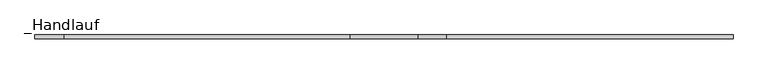
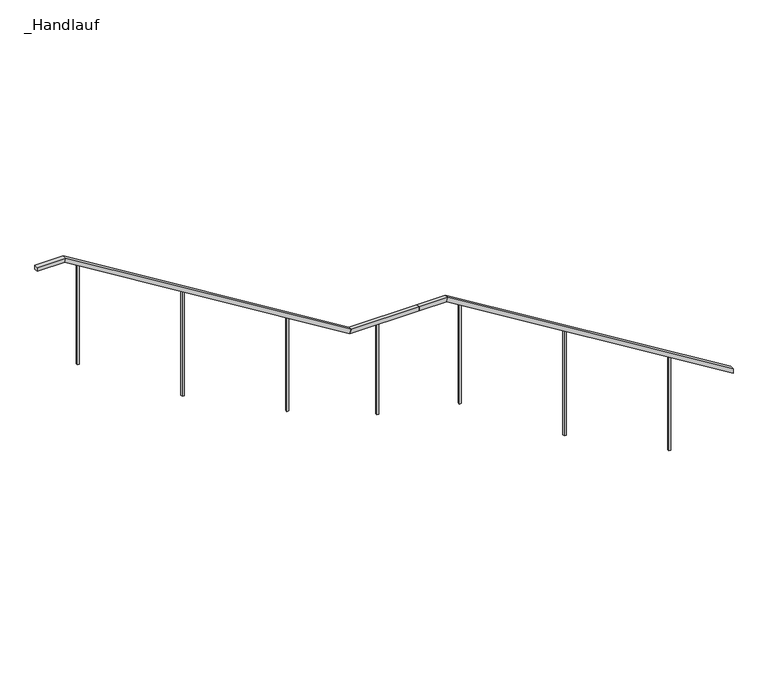
"""IFC4 building model written with IfcOpenShell, lengths in millimetres: railing geometry, _Handlauf."""

from ifc_helpers import new_model, si_unit, frame, origin, place, context, project, spatial, polyline, outline, extrude, faceted_brep, source, transform, mapped, element, save


def handlauf_9faf0ab0(model_context):
    return source(origin(), model_context, "Body", "SolidModel", [
        faceted_brep([(8940.0, 3112.4, 4500.0), (8940.0, 3112.4, 4453.0610765), (8940.0, 3152.4, 4453.0610765), (8940.0, 3152.4, 4500.0), (6090.0, 3112.4, 6250.0), (6078.6994674, 3112.4, 6210.0), (6078.6994674, 3152.4, 6210.0), (6090.0, 3152.4, 6250.0), (5805.0, 3112.4, 6250.0), (5805.0, 3152.4, 6250.0), (5805.0, 3152.4, 6210.0), (5805.0, 3112.4, 6210.0)], [[[0, 1, 2, 3]], [[1, 0, 4, 5]], [[2, 1, 5, 6]], [[3, 2, 6, 7]], [[0, 3, 7, 4]], [[8, 9, 10, 11]], [[5, 4, 8, 11]], [[6, 5, 11, 10]], [[7, 6, 10, 9]], [[4, 7, 9, 8]]]),
        faceted_brep([(5805.0, 3112.4, 6250.0), (5805.0, 3112.4, 6210.0), (5805.0, 3152.4, 6210.0), (5805.0, 3152.4, 6250.0), (5124.7699955, 3112.4, 6250.0), (5124.7699955, 3152.4, 6250.0), (5113.4694629, 3152.4, 6210.0), (5113.4694629, 3112.4, 6210.0)], [[[0, 1, 2, 3]], [[4, 5, 6, 7]], [[1, 0, 4, 7]], [[2, 1, 7, 6]], [[3, 2, 6, 5]], [[0, 3, 5, 4]]]),
        faceted_brep([(5124.7699955, 3112.4, 6250.0), (5113.4694629, 3112.4, 6210.0), (5113.4694629, 3152.4, 6210.0), (5124.7699955, 3152.4, 6250.0), (2274.7699955, 3112.4, 8000.0), (2263.4694629, 3112.4, 7960.0), (2263.4694629, 3152.4, 7960.0), (2274.7699955, 3152.4, 8000.0), (1989.7699955, 3112.4, 8000.0), (1989.7699955, 3152.4, 8000.0), (1989.7699955, 3152.4, 7960.0), (1989.7699955, 3112.4, 7960.0)], [[[0, 1, 2, 3]], [[1, 0, 4, 5]], [[2, 1, 5, 6]], [[3, 2, 6, 7]], [[0, 3, 7, 4]], [[8, 9, 10, 11]], [[5, 4, 8, 11]], [[6, 5, 11, 10]], [[7, 6, 10, 9]], [[4, 7, 9, 8]]]),
        extrude(outline(polyline([(7872.1929825, 2417.7699955), (7884.4736842, 2397.7699955), (6825.0, 2397.7699955), (6825.0, 2417.7699955), (7872.1929825, 2417.7699955)])), frame((0.0, 3122.4, 0.0), z_axis=(0.0, 1.0, 0.0), x_axis=(0.0, 0.0, 1.0)), (0.0, 0.0, 1.0), 20.0),
        extrude(outline(polyline([(7230.5263158, 3462.7699955), (7242.8070175, 3442.7699955), (6125.0, 3442.7699955), (6125.0, 3462.7699955), (7230.5263158, 3462.7699955)])), frame((0.0, 3122.4, 0.0), z_axis=(0.0, 1.0, 0.0), x_axis=(0.0, 0.0, 1.0)), (0.0, 0.0, 1.0), 20.0),
        extrude(outline(polyline([(6588.8596491, 4507.7699955), (6601.1403509, 4487.7699955), (5600.0, 4487.7699955), (5600.0, 4507.7699955), (6588.8596491, 4507.7699955)])), frame((0.0, 3122.4, 0.0), z_axis=(0.0, 1.0, 0.0), x_axis=(0.0, 0.0, 1.0)), (0.0, 0.0, 1.0), 20.0),
        extrude(outline(polyline([(5406.8619973, 3122.4), (5386.8619973, 3122.4), (5386.8619973, 3142.4), (5406.8619973, 3142.4), (5406.8619973, 3122.4)])), frame((0.0, 0.0, 5250.0), z_axis=(0.0, 0.0, 1.0), x_axis=(1.0, 0.0, 0.0)), (0.0, 0.0, 1.0), 960.0),
        extrude(outline(polyline([(6122.1929825, 6233.0), (6134.4736842, 6213.0), (5075.0, 6213.0), (5075.0, 6233.0), (6122.1929825, 6233.0)])), frame((0.0, 3122.4, 0.0), z_axis=(0.0, 1.0, 0.0), x_axis=(0.0, 0.0, 1.0)), (0.0, 0.0, 1.0), 20.0),
        extrude(outline(polyline([(5480.5263158, 7278.0), (5492.8070175, 7258.0), (4375.0, 7258.0), (4375.0, 7278.0), (5480.5263158, 7278.0)])), frame((0.0, 3122.4, 0.0), z_axis=(0.0, 1.0, 0.0), x_axis=(0.0, 0.0, 1.0)), (0.0, 0.0, 1.0), 20.0),
        extrude(outline(polyline([(4838.8596491, 8323.0), (4851.1403509, 8303.0), (3850.0, 8303.0), (3850.0, 8323.0), (4838.8596491, 8323.0)])), frame((0.0, 3122.4, 0.0), z_axis=(0.0, 1.0, 0.0), x_axis=(0.0, 0.0, 1.0)), (0.0, 0.0, 1.0), 20.0),
    ])


if __name__ == "__main__":
    model = new_model("IFC4")
    model_context = context("Model", 3, world=origin())
    ifc_project = project(units=[si_unit("LENGTHUNIT", "METRE", prefix="MILLI")], contexts=[model_context])
    site = spatial("IfcSite", under=ifc_project)
    building = spatial("IfcBuilding", under=site)
    placement = place(None, origin())
    handlauf_shape = handlauf_9faf0ab0(model_context)
    element("IfcRailing", 1, ObjectType="_Handlauf", at=placement, inside=building, context=model_context, shape_type="MappedRepresentation", body=[
        mapped(handlauf_shape, transform((0.0, 0.0, 0.0), x_axis=(1.0, 0.0, 0.0), y_axis=(0.0, 1.0, 0.0), z_axis=(0.0, 0.0, 1.0))),
    ])
    save(model, "model.ifc")
